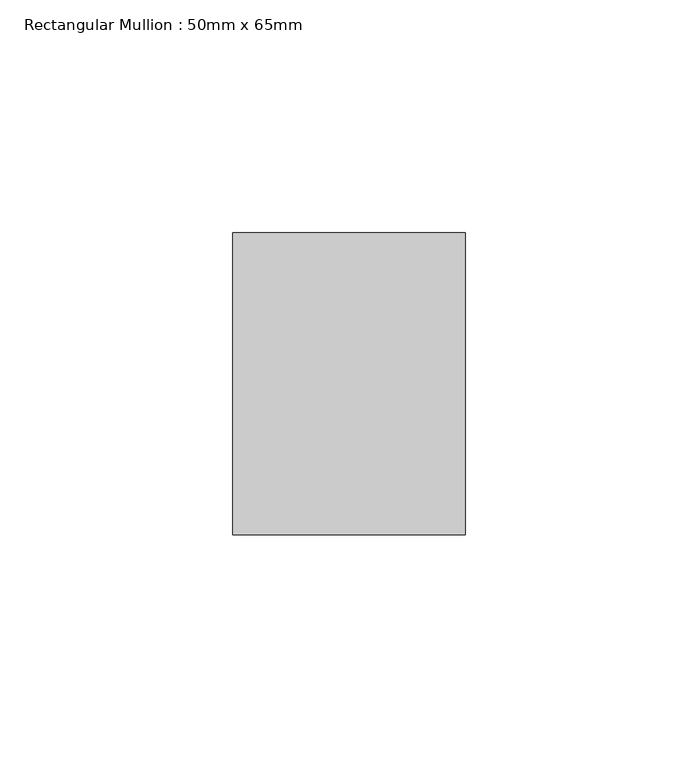
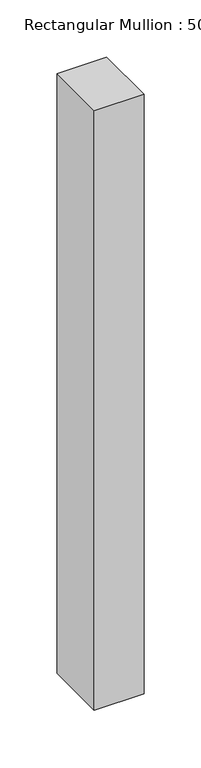
"""IFC4 building model written with IfcOpenShell, lengths in millimetres: member geometry, Rectangular Mullion : 50mm x 65mm."""

from ifc_helpers import new_model, si_unit, frame, origin, place, context, project, spatial, polyline, outline, extrude, source, transform, mapped, element, save


def rectangular_mullion_50mm_x_65mm_da4f6768(model_context):
    return source(origin(), model_context, "Body", "SweptSolid", [
        extrude(outline(polyline([(25.0, 32.5), (25.0, -32.5), (-25.0, -32.5), (-25.0, 32.5), (25.0, 32.5)])), frame((0.0, 0.0, -639.7125774), z_axis=(0.0, 0.0, 1.0), x_axis=(1.0, 0.0, 0.0)), (0.0, 0.0, 1.0), 639.7125774),
    ])


if __name__ == "__main__":
    model = new_model("IFC4")
    model_context = context("Model", 3, world=origin())
    ifc_project = project(units=[si_unit("LENGTHUNIT", "METRE", prefix="MILLI")], contexts=[model_context])
    site = spatial("IfcSite", under=ifc_project)
    building = spatial("IfcBuilding", under=site)
    placement = place(None, origin())
    rectangular_mullion_50mm_x_65mm_shape = rectangular_mullion_50mm_x_65mm_da4f6768(model_context)
    element("IfcMember", 1, ObjectType="Rectangular Mullion : 50mm x 65mm", at=placement, inside=building, context=model_context, shape_type="MappedRepresentation", body=[
        mapped(rectangular_mullion_50mm_x_65mm_shape, transform((0.0, 0.0, 0.0), x_axis=(1.0, 0.0, 0.0), y_axis=(0.0, 1.0, 0.0), z_axis=(0.0, 0.0, 1.0))),
    ])
    save(model, "model.ifc")
